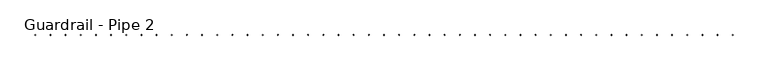
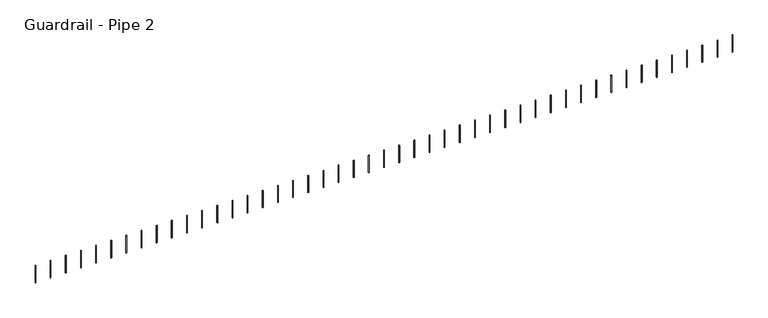
"""IFC4 building model written with IfcOpenShell, lengths in millimetres: railing geometry, Guardrail - Pipe 2."""

from ifc_helpers import new_model, si_unit, point, frame, frame_2d, origin, place, context, project, spatial, circle_curve, trimmed, segment, composite_curve, outline, extrude, source, transform, mapped, element, save


def guardrail_pipe_2_b342eb5e(model_context):
    return source(origin(), model_context, "Body", "SweptSolid", [
        extrude(outline(composite_curve([segment(trimmed(circle_curve(frame_2d((206950.2379834, -514477.8080223)), 12.7), [point((206950.2379834, -514465.1080223))], [point((206950.2379834, -514490.5080223))], False, "CARTESIAN"), True, "CONTINUOUS"), segment(trimmed(circle_curve(frame_2d((206950.2379834, -514477.8080223)), 12.7), [point((206950.2379834, -514490.5080223))], [point((206950.2379834, -514465.1080223))], False, "CARTESIAN"), True, "CONTINUOUS")], self_intersect=False)), frame((0.0, 0.0, 4267.2), z_axis=(0.0, 0.0, 1.0), x_axis=(1.0, 0.0, 0.0)), (0.0, 0.0, 1.0), 723.9),
        extrude(outline(composite_curve([segment(trimmed(circle_curve(frame_2d((206340.6379834, -514477.8080223)), 12.7), [point((206340.6379834, -514465.1080223))], [point((206340.6379834, -514490.5080223))], False, "CARTESIAN"), True, "CONTINUOUS"), segment(trimmed(circle_curve(frame_2d((206340.6379834, -514477.8080223)), 12.7), [point((206340.6379834, -514490.5080223))], [point((206340.6379834, -514465.1080223))], False, "CARTESIAN"), True, "CONTINUOUS")], self_intersect=False)), frame((0.0, 0.0, 4267.2), z_axis=(0.0, 0.0, 1.0), x_axis=(1.0, 0.0, 0.0)), (0.0, 0.0, 1.0), 723.9),
        extrude(outline(composite_curve([segment(trimmed(circle_curve(frame_2d((205731.0379834, -514477.8080223)), 12.7), [point((205731.0379834, -514465.1080223))], [point((205731.0379834, -514490.5080223))], False, "CARTESIAN"), True, "CONTINUOUS"), segment(trimmed(circle_curve(frame_2d((205731.0379834, -514477.8080223)), 12.7), [point((205731.0379834, -514490.5080223))], [point((205731.0379834, -514465.1080223))], False, "CARTESIAN"), True, "CONTINUOUS")], self_intersect=False)), frame((0.0, 0.0, 4267.2), z_axis=(0.0, 0.0, 1.0), x_axis=(1.0, 0.0, 0.0)), (0.0, 0.0, 1.0), 723.9),
        extrude(outline(composite_curve([segment(trimmed(circle_curve(frame_2d((205121.4379834, -514477.8080223)), 12.7), [point((205121.4379834, -514465.1080223))], [point((205121.4379834, -514490.5080223))], False, "CARTESIAN"), True, "CONTINUOUS"), segment(trimmed(circle_curve(frame_2d((205121.4379834, -514477.8080223)), 12.7), [point((205121.4379834, -514490.5080223))], [point((205121.4379834, -514465.1080223))], False, "CARTESIAN"), True, "CONTINUOUS")], self_intersect=False)), frame((0.0, 0.0, 4267.2), z_axis=(0.0, 0.0, 1.0), x_axis=(1.0, 0.0, 0.0)), (0.0, 0.0, 1.0), 723.9),
        extrude(outline(composite_curve([segment(trimmed(circle_curve(frame_2d((204511.8379834, -514477.8080223)), 12.7), [point((204511.8379834, -514465.1080223))], [point((204511.8379834, -514490.5080223))], False, "CARTESIAN"), True, "CONTINUOUS"), segment(trimmed(circle_curve(frame_2d((204511.8379834, -514477.8080223)), 12.7), [point((204511.8379834, -514490.5080223))], [point((204511.8379834, -514465.1080223))], False, "CARTESIAN"), True, "CONTINUOUS")], self_intersect=False)), frame((0.0, 0.0, 4267.2), z_axis=(0.0, 0.0, 1.0), x_axis=(1.0, 0.0, 0.0)), (0.0, 0.0, 1.0), 723.9),
        extrude(outline(composite_curve([segment(trimmed(circle_curve(frame_2d((203902.2379834, -514477.8080223)), 12.7), [point((203902.2379834, -514465.1080223))], [point((203902.2379834, -514490.5080223))], False, "CARTESIAN"), True, "CONTINUOUS"), segment(trimmed(circle_curve(frame_2d((203902.2379834, -514477.8080223)), 12.7), [point((203902.2379834, -514490.5080223))], [point((203902.2379834, -514465.1080223))], False, "CARTESIAN"), True, "CONTINUOUS")], self_intersect=False)), frame((0.0, 0.0, 4267.2), z_axis=(0.0, 0.0, 1.0), x_axis=(1.0, 0.0, 0.0)), (0.0, 0.0, 1.0), 723.9),
        extrude(outline(composite_curve([segment(trimmed(circle_curve(frame_2d((203292.6379834, -514477.8080223)), 12.7), [point((203292.6379834, -514465.1080223))], [point((203292.6379834, -514490.5080223))], False, "CARTESIAN"), True, "CONTINUOUS"), segment(trimmed(circle_curve(frame_2d((203292.6379834, -514477.8080223)), 12.7), [point((203292.6379834, -514490.5080223))], [point((203292.6379834, -514465.1080223))], False, "CARTESIAN"), True, "CONTINUOUS")], self_intersect=False)), frame((0.0, 0.0, 4267.2), z_axis=(0.0, 0.0, 1.0), x_axis=(1.0, 0.0, 0.0)), (0.0, 0.0, 1.0), 723.9),
        extrude(outline(composite_curve([segment(trimmed(circle_curve(frame_2d((202683.0379834, -514477.8080223)), 12.7), [point((202683.0379834, -514465.1080223))], [point((202683.0379834, -514490.5080223))], False, "CARTESIAN"), True, "CONTINUOUS"), segment(trimmed(circle_curve(frame_2d((202683.0379834, -514477.8080223)), 12.7), [point((202683.0379834, -514490.5080223))], [point((202683.0379834, -514465.1080223))], False, "CARTESIAN"), True, "CONTINUOUS")], self_intersect=False)), frame((0.0, 0.0, 4267.2), z_axis=(0.0, 0.0, 1.0), x_axis=(1.0, 0.0, 0.0)), (0.0, 0.0, 1.0), 723.9),
        extrude(outline(composite_curve([segment(trimmed(circle_curve(frame_2d((202073.4379834, -514477.8080223)), 12.7), [point((202073.4379834, -514465.1080223))], [point((202073.4379834, -514490.5080223))], False, "CARTESIAN"), True, "CONTINUOUS"), segment(trimmed(circle_curve(frame_2d((202073.4379834, -514477.8080223)), 12.7), [point((202073.4379834, -514490.5080223))], [point((202073.4379834, -514465.1080223))], False, "CARTESIAN"), True, "CONTINUOUS")], self_intersect=False)), frame((0.0, 0.0, 4267.2), z_axis=(0.0, 0.0, 1.0), x_axis=(1.0, 0.0, 0.0)), (0.0, 0.0, 1.0), 723.9),
        extrude(outline(composite_curve([segment(trimmed(circle_curve(frame_2d((201463.8379834, -514477.8080223)), 12.7), [point((201463.8379834, -514465.1080223))], [point((201463.8379834, -514490.5080223))], False, "CARTESIAN"), True, "CONTINUOUS"), segment(trimmed(circle_curve(frame_2d((201463.8379834, -514477.8080223)), 12.7), [point((201463.8379834, -514490.5080223))], [point((201463.8379834, -514465.1080223))], False, "CARTESIAN"), True, "CONTINUOUS")], self_intersect=False)), frame((0.0, 0.0, 4267.2), z_axis=(0.0, 0.0, 1.0), x_axis=(1.0, 0.0, 0.0)), (0.0, 0.0, 1.0), 723.9),
        extrude(outline(composite_curve([segment(trimmed(circle_curve(frame_2d((200854.2379834, -514477.8080223)), 12.7), [point((200854.2379834, -514465.1080223))], [point((200854.2379834, -514490.5080223))], False, "CARTESIAN"), True, "CONTINUOUS"), segment(trimmed(circle_curve(frame_2d((200854.2379834, -514477.8080223)), 12.7), [point((200854.2379834, -514490.5080223))], [point((200854.2379834, -514465.1080223))], False, "CARTESIAN"), True, "CONTINUOUS")], self_intersect=False)), frame((0.0, 0.0, 4267.2), z_axis=(0.0, 0.0, 1.0), x_axis=(1.0, 0.0, 0.0)), (0.0, 0.0, 1.0), 723.9),
        extrude(outline(composite_curve([segment(trimmed(circle_curve(frame_2d((200244.6379834, -514477.8080223)), 12.7), [point((200244.6379834, -514465.1080223))], [point((200244.6379834, -514490.5080223))], False, "CARTESIAN"), True, "CONTINUOUS"), segment(trimmed(circle_curve(frame_2d((200244.6379834, -514477.8080223)), 12.7), [point((200244.6379834, -514490.5080223))], [point((200244.6379834, -514465.1080223))], False, "CARTESIAN"), True, "CONTINUOUS")], self_intersect=False)), frame((0.0, 0.0, 4267.2), z_axis=(0.0, 0.0, 1.0), x_axis=(1.0, 0.0, 0.0)), (0.0, 0.0, 1.0), 723.9),
        extrude(outline(composite_curve([segment(trimmed(circle_curve(frame_2d((199635.0379834, -514477.8080223)), 12.7), [point((199635.0379834, -514465.1080223))], [point((199635.0379834, -514490.5080223))], False, "CARTESIAN"), True, "CONTINUOUS"), segment(trimmed(circle_curve(frame_2d((199635.0379834, -514477.8080223)), 12.7), [point((199635.0379834, -514490.5080223))], [point((199635.0379834, -514465.1080223))], False, "CARTESIAN"), True, "CONTINUOUS")], self_intersect=False)), frame((0.0, 0.0, 4267.2), z_axis=(0.0, 0.0, 1.0), x_axis=(1.0, 0.0, 0.0)), (0.0, 0.0, 1.0), 723.9),
        extrude(outline(composite_curve([segment(trimmed(circle_curve(frame_2d((199025.4379834, -514477.8080223)), 12.7), [point((199025.4379834, -514465.1080223))], [point((199025.4379834, -514490.5080223))], False, "CARTESIAN"), True, "CONTINUOUS"), segment(trimmed(circle_curve(frame_2d((199025.4379834, -514477.8080223)), 12.7), [point((199025.4379834, -514490.5080223))], [point((199025.4379834, -514465.1080223))], False, "CARTESIAN"), True, "CONTINUOUS")], self_intersect=False)), frame((0.0, 0.0, 4267.2), z_axis=(0.0, 0.0, 1.0), x_axis=(1.0, 0.0, 0.0)), (0.0, 0.0, 1.0), 723.9),
        extrude(outline(composite_curve([segment(trimmed(circle_curve(frame_2d((198415.8379834, -514477.8080223)), 12.7), [point((198415.8379834, -514465.1080223))], [point((198415.8379834, -514490.5080223))], False, "CARTESIAN"), True, "CONTINUOUS"), segment(trimmed(circle_curve(frame_2d((198415.8379834, -514477.8080223)), 12.7), [point((198415.8379834, -514490.5080223))], [point((198415.8379834, -514465.1080223))], False, "CARTESIAN"), True, "CONTINUOUS")], self_intersect=False)), frame((0.0, 0.0, 4267.2), z_axis=(0.0, 0.0, 1.0), x_axis=(1.0, 0.0, 0.0)), (0.0, 0.0, 1.0), 723.9),
        extrude(outline(composite_curve([segment(trimmed(circle_curve(frame_2d((197806.2379834, -514477.8080223)), 12.7), [point((197806.2379834, -514465.1080223))], [point((197806.2379834, -514490.5080223))], False, "CARTESIAN"), True, "CONTINUOUS"), segment(trimmed(circle_curve(frame_2d((197806.2379834, -514477.8080223)), 12.7), [point((197806.2379834, -514490.5080223))], [point((197806.2379834, -514465.1080223))], False, "CARTESIAN"), True, "CONTINUOUS")], self_intersect=False)), frame((0.0, 0.0, 4267.2), z_axis=(0.0, 0.0, 1.0), x_axis=(1.0, 0.0, 0.0)), (0.0, 0.0, 1.0), 723.9),
        extrude(outline(composite_curve([segment(trimmed(circle_curve(frame_2d((197196.6379834, -514477.8080223)), 12.7), [point((197196.6379834, -514465.1080223))], [point((197196.6379834, -514490.5080223))], False, "CARTESIAN"), True, "CONTINUOUS"), segment(trimmed(circle_curve(frame_2d((197196.6379834, -514477.8080223)), 12.7), [point((197196.6379834, -514490.5080223))], [point((197196.6379834, -514465.1080223))], False, "CARTESIAN"), True, "CONTINUOUS")], self_intersect=False)), frame((0.0, 0.0, 4267.2), z_axis=(0.0, 0.0, 1.0), x_axis=(1.0, 0.0, 0.0)), (0.0, 0.0, 1.0), 723.9),
        extrude(outline(composite_curve([segment(trimmed(circle_curve(frame_2d((196587.0379834, -514477.8080223)), 12.7), [point((196587.0379834, -514465.1080223))], [point((196587.0379834, -514490.5080223))], False, "CARTESIAN"), True, "CONTINUOUS"), segment(trimmed(circle_curve(frame_2d((196587.0379834, -514477.8080223)), 12.7), [point((196587.0379834, -514490.5080223))], [point((196587.0379834, -514465.1080223))], False, "CARTESIAN"), True, "CONTINUOUS")], self_intersect=False)), frame((0.0, 0.0, 4267.2), z_axis=(0.0, 0.0, 1.0), x_axis=(1.0, 0.0, 0.0)), (0.0, 0.0, 1.0), 723.9),
        extrude(outline(composite_curve([segment(trimmed(circle_curve(frame_2d((195977.4379834, -514477.8080223)), 12.7), [point((195977.4379834, -514465.1080223))], [point((195977.4379834, -514490.5080223))], False, "CARTESIAN"), True, "CONTINUOUS"), segment(trimmed(circle_curve(frame_2d((195977.4379834, -514477.8080223)), 12.7), [point((195977.4379834, -514490.5080223))], [point((195977.4379834, -514465.1080223))], False, "CARTESIAN"), True, "CONTINUOUS")], self_intersect=False)), frame((0.0, 0.0, 4267.2), z_axis=(0.0, 0.0, 1.0), x_axis=(1.0, 0.0, 0.0)), (0.0, 0.0, 1.0), 723.9),
        extrude(outline(composite_curve([segment(trimmed(circle_curve(frame_2d((195367.8379834, -514477.8080223)), 12.7), [point((195367.8379834, -514465.1080223))], [point((195367.8379834, -514490.5080223))], False, "CARTESIAN"), True, "CONTINUOUS"), segment(trimmed(circle_curve(frame_2d((195367.8379834, -514477.8080223)), 12.7), [point((195367.8379834, -514490.5080223))], [point((195367.8379834, -514465.1080223))], False, "CARTESIAN"), True, "CONTINUOUS")], self_intersect=False)), frame((0.0, 0.0, 4267.2), z_axis=(0.0, 0.0, 1.0), x_axis=(1.0, 0.0, 0.0)), (0.0, 0.0, 1.0), 723.9),
        extrude(outline(composite_curve([segment(trimmed(circle_curve(frame_2d((194758.2379834, -514477.8080223)), 12.7), [point((194758.2379834, -514465.1080223))], [point((194758.2379834, -514490.5080223))], False, "CARTESIAN"), True, "CONTINUOUS"), segment(trimmed(circle_curve(frame_2d((194758.2379834, -514477.8080223)), 12.7), [point((194758.2379834, -514490.5080223))], [point((194758.2379834, -514465.1080223))], False, "CARTESIAN"), True, "CONTINUOUS")], self_intersect=False)), frame((0.0, 0.0, 4267.2), z_axis=(0.0, 0.0, 1.0), x_axis=(1.0, 0.0, 0.0)), (0.0, 0.0, 1.0), 723.9),
        extrude(outline(composite_curve([segment(trimmed(circle_curve(frame_2d((194148.6379834, -514477.8080223)), 12.7), [point((194148.6379834, -514465.1080223))], [point((194148.6379834, -514490.5080223))], False, "CARTESIAN"), True, "CONTINUOUS"), segment(trimmed(circle_curve(frame_2d((194148.6379834, -514477.8080223)), 12.7), [point((194148.6379834, -514490.5080223))], [point((194148.6379834, -514465.1080223))], False, "CARTESIAN"), True, "CONTINUOUS")], self_intersect=False)), frame((0.0, 0.0, 4267.2), z_axis=(0.0, 0.0, 1.0), x_axis=(1.0, 0.0, 0.0)), (0.0, 0.0, 1.0), 723.9),
        extrude(outline(composite_curve([segment(trimmed(circle_curve(frame_2d((193539.0379834, -514477.8080223)), 12.7), [point((193539.0379834, -514465.1080223))], [point((193539.0379834, -514490.5080223))], False, "CARTESIAN"), True, "CONTINUOUS"), segment(trimmed(circle_curve(frame_2d((193539.0379834, -514477.8080223)), 12.7), [point((193539.0379834, -514490.5080223))], [point((193539.0379834, -514465.1080223))], False, "CARTESIAN"), True, "CONTINUOUS")], self_intersect=False)), frame((0.0, 0.0, 4267.2), z_axis=(0.0, 0.0, 1.0), x_axis=(1.0, 0.0, 0.0)), (0.0, 0.0, 1.0), 723.9),
        extrude(outline(composite_curve([segment(trimmed(circle_curve(frame_2d((192929.4379834, -514477.8080223)), 12.7), [point((192929.4379834, -514465.1080223))], [point((192929.4379834, -514490.5080223))], False, "CARTESIAN"), True, "CONTINUOUS"), segment(trimmed(circle_curve(frame_2d((192929.4379834, -514477.8080223)), 12.7), [point((192929.4379834, -514490.5080223))], [point((192929.4379834, -514465.1080223))], False, "CARTESIAN"), True, "CONTINUOUS")], self_intersect=False)), frame((0.0, 0.0, 4267.2), z_axis=(0.0, 0.0, 1.0), x_axis=(1.0, 0.0, 0.0)), (0.0, 0.0, 1.0), 723.9),
        extrude(outline(composite_curve([segment(trimmed(circle_curve(frame_2d((192319.8379834, -514477.8080223)), 12.7), [point((192319.8379834, -514465.1080223))], [point((192319.8379834, -514490.5080223))], False, "CARTESIAN"), True, "CONTINUOUS"), segment(trimmed(circle_curve(frame_2d((192319.8379834, -514477.8080223)), 12.7), [point((192319.8379834, -514490.5080223))], [point((192319.8379834, -514465.1080223))], False, "CARTESIAN"), True, "CONTINUOUS")], self_intersect=False)), frame((0.0, 0.0, 4267.2), z_axis=(0.0, 0.0, 1.0), x_axis=(1.0, 0.0, 0.0)), (0.0, 0.0, 1.0), 723.9),
        extrude(outline(composite_curve([segment(trimmed(circle_curve(frame_2d((191710.2379834, -514477.8080223)), 12.7), [point((191710.2379834, -514465.1080223))], [point((191710.2379834, -514490.5080223))], False, "CARTESIAN"), True, "CONTINUOUS"), segment(trimmed(circle_curve(frame_2d((191710.2379834, -514477.8080223)), 12.7), [point((191710.2379834, -514490.5080223))], [point((191710.2379834, -514465.1080223))], False, "CARTESIAN"), True, "CONTINUOUS")], self_intersect=False)), frame((0.0, 0.0, 4267.2), z_axis=(0.0, 0.0, 1.0), x_axis=(1.0, 0.0, 0.0)), (0.0, 0.0, 1.0), 723.9),
        extrude(outline(composite_curve([segment(trimmed(circle_curve(frame_2d((191100.6379834, -514477.8080223)), 12.7), [point((191100.6379834, -514465.1080223))], [point((191100.6379834, -514490.5080223))], False, "CARTESIAN"), True, "CONTINUOUS"), segment(trimmed(circle_curve(frame_2d((191100.6379834, -514477.8080223)), 12.7), [point((191100.6379834, -514490.5080223))], [point((191100.6379834, -514465.1080223))], False, "CARTESIAN"), True, "CONTINUOUS")], self_intersect=False)), frame((0.0, 0.0, 4267.2), z_axis=(0.0, 0.0, 1.0), x_axis=(1.0, 0.0, 0.0)), (0.0, 0.0, 1.0), 723.9),
        extrude(outline(composite_curve([segment(trimmed(circle_curve(frame_2d((190491.0379834, -514477.8080223)), 12.7), [point((190491.0379834, -514465.1080223))], [point((190491.0379834, -514490.5080223))], False, "CARTESIAN"), True, "CONTINUOUS"), segment(trimmed(circle_curve(frame_2d((190491.0379834, -514477.8080223)), 12.7), [point((190491.0379834, -514490.5080223))], [point((190491.0379834, -514465.1080223))], False, "CARTESIAN"), True, "CONTINUOUS")], self_intersect=False)), frame((0.0, 0.0, 4267.2), z_axis=(0.0, 0.0, 1.0), x_axis=(1.0, 0.0, 0.0)), (0.0, 0.0, 1.0), 723.9),
        extrude(outline(composite_curve([segment(trimmed(circle_curve(frame_2d((189881.4379834, -514477.8080223)), 12.7), [point((189881.4379834, -514465.1080223))], [point((189881.4379834, -514490.5080223))], False, "CARTESIAN"), True, "CONTINUOUS"), segment(trimmed(circle_curve(frame_2d((189881.4379834, -514477.8080223)), 12.7), [point((189881.4379834, -514490.5080223))], [point((189881.4379834, -514465.1080223))], False, "CARTESIAN"), True, "CONTINUOUS")], self_intersect=False)), frame((0.0, 0.0, 4267.2), z_axis=(0.0, 0.0, 1.0), x_axis=(1.0, 0.0, 0.0)), (0.0, 0.0, 1.0), 723.9),
        extrude(outline(composite_curve([segment(trimmed(circle_curve(frame_2d((189271.8379834, -514477.8080223)), 12.7), [point((189271.8379834, -514465.1080223))], [point((189271.8379834, -514490.5080223))], False, "CARTESIAN"), True, "CONTINUOUS"), segment(trimmed(circle_curve(frame_2d((189271.8379834, -514477.8080223)), 12.7), [point((189271.8379834, -514490.5080223))], [point((189271.8379834, -514465.1080223))], False, "CARTESIAN"), True, "CONTINUOUS")], self_intersect=False)), frame((0.0, 0.0, 4267.2), z_axis=(0.0, 0.0, 1.0), x_axis=(1.0, 0.0, 0.0)), (0.0, 0.0, 1.0), 723.9),
        extrude(outline(composite_curve([segment(trimmed(circle_curve(frame_2d((188662.2379834, -514477.8080223)), 12.7), [point((188662.2379834, -514465.1080223))], [point((188662.2379834, -514490.5080223))], False, "CARTESIAN"), True, "CONTINUOUS"), segment(trimmed(circle_curve(frame_2d((188662.2379834, -514477.8080223)), 12.7), [point((188662.2379834, -514490.5080223))], [point((188662.2379834, -514465.1080223))], False, "CARTESIAN"), True, "CONTINUOUS")], self_intersect=False)), frame((0.0, 0.0, 4267.2), z_axis=(0.0, 0.0, 1.0), x_axis=(1.0, 0.0, 0.0)), (0.0, 0.0, 1.0), 723.9),
        extrude(outline(composite_curve([segment(trimmed(circle_curve(frame_2d((188052.6379834, -514477.8080223)), 12.7), [point((188052.6379834, -514465.1080223))], [point((188052.6379834, -514490.5080223))], False, "CARTESIAN"), True, "CONTINUOUS"), segment(trimmed(circle_curve(frame_2d((188052.6379834, -514477.8080223)), 12.7), [point((188052.6379834, -514490.5080223))], [point((188052.6379834, -514465.1080223))], False, "CARTESIAN"), True, "CONTINUOUS")], self_intersect=False)), frame((0.0, 0.0, 4267.2), z_axis=(0.0, 0.0, 1.0), x_axis=(1.0, 0.0, 0.0)), (0.0, 0.0, 1.0), 723.9),
        extrude(outline(composite_curve([segment(trimmed(circle_curve(frame_2d((187443.0379834, -514477.8080223)), 12.7), [point((187443.0379834, -514465.1080223))], [point((187443.0379834, -514490.5080223))], False, "CARTESIAN"), True, "CONTINUOUS"), segment(trimmed(circle_curve(frame_2d((187443.0379834, -514477.8080223)), 12.7), [point((187443.0379834, -514490.5080223))], [point((187443.0379834, -514465.1080223))], False, "CARTESIAN"), True, "CONTINUOUS")], self_intersect=False)), frame((0.0, 0.0, 4267.2), z_axis=(0.0, 0.0, 1.0), x_axis=(1.0, 0.0, 0.0)), (0.0, 0.0, 1.0), 723.9),
        extrude(outline(composite_curve([segment(trimmed(circle_curve(frame_2d((186833.4379834, -514477.8080223)), 12.7), [point((186833.4379834, -514465.1080223))], [point((186833.4379834, -514490.5080223))], False, "CARTESIAN"), True, "CONTINUOUS"), segment(trimmed(circle_curve(frame_2d((186833.4379834, -514477.8080223)), 12.7), [point((186833.4379834, -514490.5080223))], [point((186833.4379834, -514465.1080223))], False, "CARTESIAN"), True, "CONTINUOUS")], self_intersect=False)), frame((0.0, 0.0, 4267.2), z_axis=(0.0, 0.0, 1.0), x_axis=(1.0, 0.0, 0.0)), (0.0, 0.0, 1.0), 723.9),
        extrude(outline(composite_curve([segment(trimmed(circle_curve(frame_2d((186223.8379834, -514477.8080223)), 12.7), [point((186223.8379834, -514465.1080223))], [point((186223.8379834, -514490.5080223))], False, "CARTESIAN"), True, "CONTINUOUS"), segment(trimmed(circle_curve(frame_2d((186223.8379834, -514477.8080223)), 12.7), [point((186223.8379834, -514490.5080223))], [point((186223.8379834, -514465.1080223))], False, "CARTESIAN"), True, "CONTINUOUS")], self_intersect=False)), frame((0.0, 0.0, 4267.2), z_axis=(0.0, 0.0, 1.0), x_axis=(1.0, 0.0, 0.0)), (0.0, 0.0, 1.0), 723.9),
        extrude(outline(composite_curve([segment(trimmed(circle_curve(frame_2d((185614.2379834, -514477.8080223)), 12.7), [point((185614.2379834, -514465.1080223))], [point((185614.2379834, -514490.5080223))], False, "CARTESIAN"), True, "CONTINUOUS"), segment(trimmed(circle_curve(frame_2d((185614.2379834, -514477.8080223)), 12.7), [point((185614.2379834, -514490.5080223))], [point((185614.2379834, -514465.1080223))], False, "CARTESIAN"), True, "CONTINUOUS")], self_intersect=False)), frame((0.0, 0.0, 4267.2), z_axis=(0.0, 0.0, 1.0), x_axis=(1.0, 0.0, 0.0)), (0.0, 0.0, 1.0), 723.9),
        extrude(outline(composite_curve([segment(trimmed(circle_curve(frame_2d((185004.6379834, -514477.8080223)), 12.7), [point((185004.6379834, -514465.1080223))], [point((185004.6379834, -514490.5080223))], False, "CARTESIAN"), True, "CONTINUOUS"), segment(trimmed(circle_curve(frame_2d((185004.6379834, -514477.8080223)), 12.7), [point((185004.6379834, -514490.5080223))], [point((185004.6379834, -514465.1080223))], False, "CARTESIAN"), True, "CONTINUOUS")], self_intersect=False)), frame((0.0, 0.0, 4267.2), z_axis=(0.0, 0.0, 1.0), x_axis=(1.0, 0.0, 0.0)), (0.0, 0.0, 1.0), 723.9),
        extrude(outline(composite_curve([segment(trimmed(circle_curve(frame_2d((184395.0379834, -514477.8080223)), 12.7), [point((184395.0379834, -514465.1080223))], [point((184395.0379834, -514490.5080223))], False, "CARTESIAN"), True, "CONTINUOUS"), segment(trimmed(circle_curve(frame_2d((184395.0379834, -514477.8080223)), 12.7), [point((184395.0379834, -514490.5080223))], [point((184395.0379834, -514465.1080223))], False, "CARTESIAN"), True, "CONTINUOUS")], self_intersect=False)), frame((0.0, 0.0, 4267.2), z_axis=(0.0, 0.0, 1.0), x_axis=(1.0, 0.0, 0.0)), (0.0, 0.0, 1.0), 723.9),
        extrude(outline(composite_curve([segment(trimmed(circle_curve(frame_2d((183785.4379834, -514477.8080223)), 12.7), [point((183785.4379834, -514465.1080223))], [point((183785.4379834, -514490.5080223))], False, "CARTESIAN"), True, "CONTINUOUS"), segment(trimmed(circle_curve(frame_2d((183785.4379834, -514477.8080223)), 12.7), [point((183785.4379834, -514490.5080223))], [point((183785.4379834, -514465.1080223))], False, "CARTESIAN"), True, "CONTINUOUS")], self_intersect=False)), frame((0.0, 0.0, 4267.2), z_axis=(0.0, 0.0, 1.0), x_axis=(1.0, 0.0, 0.0)), (0.0, 0.0, 1.0), 723.9),
        extrude(outline(composite_curve([segment(trimmed(circle_curve(frame_2d((183175.8379834, -514477.8080223)), 12.7), [point((183175.8379834, -514465.1080223))], [point((183175.8379834, -514490.5080223))], False, "CARTESIAN"), True, "CONTINUOUS"), segment(trimmed(circle_curve(frame_2d((183175.8379834, -514477.8080223)), 12.7), [point((183175.8379834, -514490.5080223))], [point((183175.8379834, -514465.1080223))], False, "CARTESIAN"), True, "CONTINUOUS")], self_intersect=False)), frame((0.0, 0.0, 4267.2), z_axis=(0.0, 0.0, 1.0), x_axis=(1.0, 0.0, 0.0)), (0.0, 0.0, 1.0), 723.9),
        extrude(outline(composite_curve([segment(trimmed(circle_curve(frame_2d((182566.2379834, -514477.8080223)), 12.7), [point((182566.2379834, -514465.1080223))], [point((182566.2379834, -514490.5080223))], False, "CARTESIAN"), True, "CONTINUOUS"), segment(trimmed(circle_curve(frame_2d((182566.2379834, -514477.8080223)), 12.7), [point((182566.2379834, -514490.5080223))], [point((182566.2379834, -514465.1080223))], False, "CARTESIAN"), True, "CONTINUOUS")], self_intersect=False)), frame((0.0, 0.0, 4267.2), z_axis=(0.0, 0.0, 1.0), x_axis=(1.0, 0.0, 0.0)), (0.0, 0.0, 1.0), 723.9),
        extrude(outline(composite_curve([segment(trimmed(circle_curve(frame_2d((181956.6379834, -514477.8080223)), 12.7), [point((181956.6379834, -514465.1080223))], [point((181956.6379834, -514490.5080223))], False, "CARTESIAN"), True, "CONTINUOUS"), segment(trimmed(circle_curve(frame_2d((181956.6379834, -514477.8080223)), 12.7), [point((181956.6379834, -514490.5080223))], [point((181956.6379834, -514465.1080223))], False, "CARTESIAN"), True, "CONTINUOUS")], self_intersect=False)), frame((0.0, 0.0, 4267.2), z_axis=(0.0, 0.0, 1.0), x_axis=(1.0, 0.0, 0.0)), (0.0, 0.0, 1.0), 723.9),
        extrude(outline(composite_curve([segment(trimmed(circle_curve(frame_2d((181347.0379834, -514477.8080223)), 12.7), [point((181347.0379834, -514465.1080223))], [point((181347.0379834, -514490.5080223))], False, "CARTESIAN"), True, "CONTINUOUS"), segment(trimmed(circle_curve(frame_2d((181347.0379834, -514477.8080223)), 12.7), [point((181347.0379834, -514490.5080223))], [point((181347.0379834, -514465.1080223))], False, "CARTESIAN"), True, "CONTINUOUS")], self_intersect=False)), frame((0.0, 0.0, 4267.2), z_axis=(0.0, 0.0, 1.0), x_axis=(1.0, 0.0, 0.0)), (0.0, 0.0, 1.0), 723.9),
        extrude(outline(composite_curve([segment(trimmed(circle_curve(frame_2d((180737.4379834, -514477.8080223)), 12.7), [point((180737.4379834, -514465.1080223))], [point((180737.4379834, -514490.5080223))], False, "CARTESIAN"), True, "CONTINUOUS"), segment(trimmed(circle_curve(frame_2d((180737.4379834, -514477.8080223)), 12.7), [point((180737.4379834, -514490.5080223))], [point((180737.4379834, -514465.1080223))], False, "CARTESIAN"), True, "CONTINUOUS")], self_intersect=False)), frame((0.0, 0.0, 4267.2), z_axis=(0.0, 0.0, 1.0), x_axis=(1.0, 0.0, 0.0)), (0.0, 0.0, 1.0), 723.9),
        extrude(outline(composite_curve([segment(trimmed(circle_curve(frame_2d((180127.8379834, -514477.8080223)), 12.7), [point((180127.8379834, -514465.1080223))], [point((180127.8379834, -514490.5080223))], False, "CARTESIAN"), True, "CONTINUOUS"), segment(trimmed(circle_curve(frame_2d((180127.8379834, -514477.8080223)), 12.7), [point((180127.8379834, -514490.5080223))], [point((180127.8379834, -514465.1080223))], False, "CARTESIAN"), True, "CONTINUOUS")], self_intersect=False)), frame((0.0, 0.0, 4267.2), z_axis=(0.0, 0.0, 1.0), x_axis=(1.0, 0.0, 0.0)), (0.0, 0.0, 1.0), 723.9),
        extrude(outline(composite_curve([segment(trimmed(circle_curve(frame_2d((179518.2379834, -514477.8080223)), 12.7), [point((179518.2379834, -514465.1080223))], [point((179518.2379834, -514490.5080223))], False, "CARTESIAN"), True, "CONTINUOUS"), segment(trimmed(circle_curve(frame_2d((179518.2379834, -514477.8080223)), 12.7), [point((179518.2379834, -514490.5080223))], [point((179518.2379834, -514465.1080223))], False, "CARTESIAN"), True, "CONTINUOUS")], self_intersect=False)), frame((0.0, 0.0, 4267.2), z_axis=(0.0, 0.0, 1.0), x_axis=(1.0, 0.0, 0.0)), (0.0, 0.0, 1.0), 723.9),
        extrude(outline(composite_curve([segment(trimmed(circle_curve(frame_2d((178908.6379834, -514477.8080223)), 12.7), [point((178908.6379834, -514465.1080223))], [point((178908.6379834, -514490.5080223))], False, "CARTESIAN"), True, "CONTINUOUS"), segment(trimmed(circle_curve(frame_2d((178908.6379834, -514477.8080223)), 12.7), [point((178908.6379834, -514490.5080223))], [point((178908.6379834, -514465.1080223))], False, "CARTESIAN"), True, "CONTINUOUS")], self_intersect=False)), frame((0.0, 0.0, 4267.2), z_axis=(0.0, 0.0, 1.0), x_axis=(1.0, 0.0, 0.0)), (0.0, 0.0, 1.0), 723.9),
    ])


if __name__ == "__main__":
    model = new_model("IFC4")
    model_context = context("Model", 3, world=origin())
    ifc_project = project(units=[si_unit("LENGTHUNIT", "METRE", prefix="MILLI")], contexts=[model_context])
    site = spatial("IfcSite", under=ifc_project)
    building = spatial("IfcBuilding", under=site)
    placement = place(None, origin())
    guardrail_pipe_2_shape = guardrail_pipe_2_b342eb5e(model_context)
    element("IfcRailing", 1, ObjectType="Guardrail - Pipe 2", at=placement, inside=building, context=model_context, shape_type="MappedRepresentation", body=[
        mapped(guardrail_pipe_2_shape, transform((0.0, 0.0, 0.0), x_axis=(1.0, 0.0, 0.0), y_axis=(0.0, 1.0, 0.0), z_axis=(0.0, 0.0, 1.0))),
    ])
    save(model, "model.ifc")
